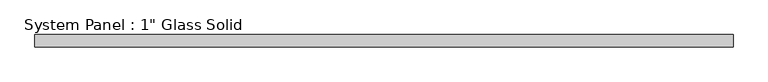
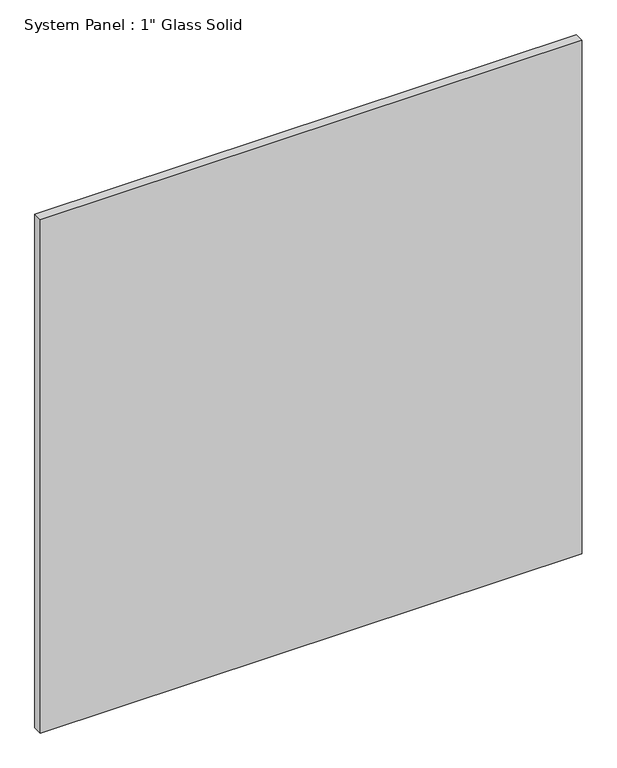
"""IFC4 building model written with IfcOpenShell, lengths in millimetres: plate geometry."""

from ifc_helpers import new_model, si_unit, origin, origin_with_axes, place, context, project, spatial, polyline, outline, extrude, source, transform, mapped, element, save


def plate_f4e8a23c(model_context):
    return source(origin(), model_context, "Body", "SweptSolid", [
        extrude(outline(polyline([(725.5389199, -12.7), (-725.5389199, -12.7), (-725.5389199, 12.7), (725.5389199, 12.7), (725.5389199, -12.7)])), origin_with_axes(), (0.0, 0.0, 1.0), 1452.8817704),
    ])


if __name__ == "__main__":
    model = new_model("IFC4")
    model_context = context("Model", 3, world=origin())
    ifc_project = project(units=[si_unit("LENGTHUNIT", "METRE", prefix="MILLI")], contexts=[model_context])
    site = spatial("IfcSite", under=ifc_project)
    building = spatial("IfcBuilding", under=site)
    placement = place(None, origin())
    plate_shape = plate_f4e8a23c(model_context)
    element("IfcPlate", 1, ObjectType="System Panel : 1\" Glass Solid", at=placement, inside=building, context=model_context, shape_type="MappedRepresentation", body=[
        mapped(plate_shape, transform((0.0, 0.0, 0.0), x_axis=(1.0, 0.0, 0.0), y_axis=(0.0, 1.0, 0.0), z_axis=(0.0, 0.0, 1.0))),
    ])
    save(model, "model.ifc")
